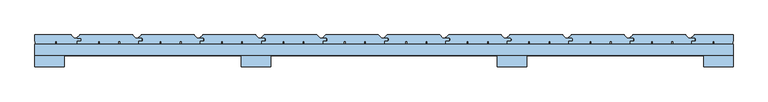
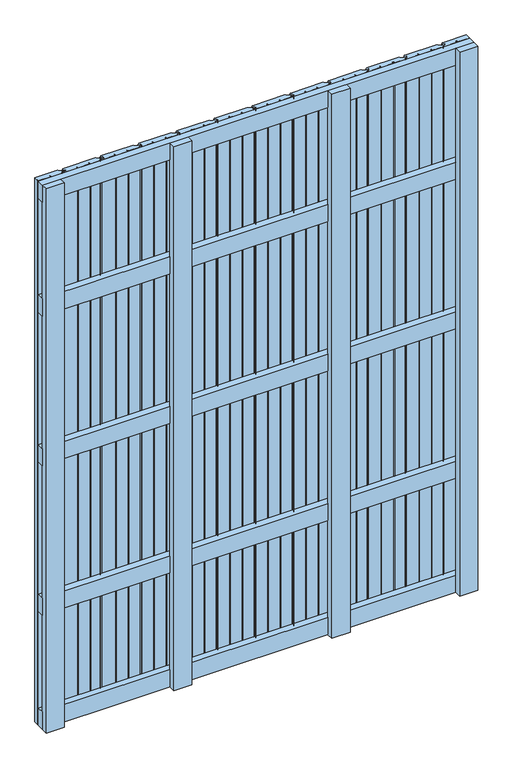
"""IFC4 building model written with IfcOpenShell, lengths in millimetres: window geometry."""

from ifc_helpers import new_model, si_unit, point, frame, frame_2d, origin, place, context, project, spatial, polyline, circle_curve, trimmed, segment, composite_curve, outline, extrude, source, transform, mapped, element, save


def window_511f11e8(model_context):
    return source(origin(), model_context, "Body", "SweptSolid", [
        extrude(outline(polyline([(750.0, 148.0), (750.0, 124.0), (-750.0, 124.0), (-750.0, 148.0), (750.0, 148.0)])), frame((0.0, 0.0, 1618.5), z_axis=(0.0, 0.0, 1.0), x_axis=(1.0, 0.0, 0.0)), (0.0, 0.0, 1.0), 63.0),
        extrude(outline(polyline([(750.0, 148.0), (750.0, 124.0), (-750.0, 124.0), (-750.0, 148.0), (750.0, 148.0)])), frame((0.0, 0.0, 1068.5), z_axis=(0.0, 0.0, 1.0), x_axis=(1.0, 0.0, 0.0)), (0.0, 0.0, 1.0), 63.0),
        extrude(outline(polyline([(750.0, 148.0), (750.0, 124.0), (-750.0, 124.0), (-750.0, 148.0), (750.0, 148.0)])), frame((0.0, 0.0, 518.5), z_axis=(0.0, 0.0, 1.0), x_axis=(1.0, 0.0, 0.0)), (0.0, 0.0, 1.0), 63.0),
        extrude(outline(polyline([(750.0, 148.0), (750.0, 124.0), (-750.0, 124.0), (-750.0, 148.0), (750.0, 148.0)])), frame((0.0, 0.0, 2037.0), z_axis=(0.0, 0.0, 1.0), x_axis=(1.0, 0.0, 0.0)), (0.0, 0.0, 1.0), 63.0),
        extrude(outline(polyline([(750.0, 148.0), (750.0, 124.0), (-750.0, 124.0), (-750.0, 148.0), (750.0, 148.0)])), frame((0.0, 0.0, 100.0), z_axis=(0.0, 0.0, 1.0), x_axis=(1.0, 0.0, 0.0)), (0.0, 0.0, 1.0), 63.0),
        extrude(outline(composite_curve([segment(polyline([(-658.0, 154.5), (-651.5, 154.5)]), True, "CONTINUOUS"), segment(trimmed(circle_curve(frame_2d((-651.5, 156.0)), 1.5), [point((-651.5, 154.5))], [point((-650.0, 156.0))], True, "CARTESIAN"), True, "CONTINUOUS"), segment(polyline([(-650.0, 156.0), (-650.0, 159.5)]), True, "CONTINUOUS"), segment(trimmed(circle_curve(frame_2d((-651.5, 159.5)), 1.5), [point((-650.0, 159.5))], [point((-651.5, 161.0))], True, "CARTESIAN"), True, "CONTINUOUS"), segment(polyline([(-651.5, 161.0), (-658.0, 161.0)]), True, "CONTINUOUS"), segment(trimmed(circle_curve(frame_2d((-658.0, 162.0)), 1.0), [point((-658.0, 161.0))], [point((-658.7071068, 162.7071068))], False, "CARTESIAN"), True, "CONTINUOUS"), segment(polyline([(-658.7071068, 162.7071068), (-653.8535534, 167.5606602)]), True, "CONTINUOUS"), segment(trimmed(circle_curve(frame_2d((-652.7928932, 166.5)), 1.5), [point((-653.8535534, 167.5606602))], [point((-652.7928932, 168.0))], False, "CARTESIAN"), True, "CONTINUOUS"), segment(polyline([(-652.7928932, 168.0), (-540.6213203, 168.0)]), True, "CONTINUOUS"), segment(trimmed(circle_curve(frame_2d((-540.6213203, 166.5)), 1.5), [point((-540.6213203, 168.0))], [point((-539.5606602, 167.5606602))], False, "CARTESIAN"), True, "CONTINUOUS"), segment(polyline([(-539.5606602, 167.5606602), (-533.2928932, 161.2928932)]), True, "CONTINUOUS"), segment(trimmed(circle_curve(frame_2d((-532.5857864, 162.0)), 1.0), [point((-533.2928932, 161.2928932))], [point((-532.5857864, 161.0))], True, "CARTESIAN"), True, "CONTINUOUS"), segment(polyline([(-532.5857864, 161.0), (-521.5, 161.0)]), True, "CONTINUOUS"), segment(trimmed(circle_curve(frame_2d((-521.5, 159.5)), 1.5), [point((-521.5, 161.0))], [point((-520.0, 159.5))], False, "CARTESIAN"), True, "CONTINUOUS"), segment(polyline([(-520.0, 159.5), (-520.0, 156.5)]), True, "CONTINUOUS"), segment(trimmed(circle_curve(frame_2d((-521.5, 156.5)), 1.5), [point((-520.0, 156.5))], [point((-521.5, 155.0))], False, "CARTESIAN"), True, "CONTINUOUS"), segment(polyline([(-521.5, 155.0), (-528.0, 155.0), (-528.0, 148.5), (-567.0, 148.5), (-567.0, 154.5), (-570.5, 154.5), (-570.5, 148.5), (-610.5, 148.5), (-610.5, 154.5), (-614.0, 154.5), (-614.0, 148.5), (-659.0, 148.5), (-659.0, 153.5)]), True, "CONTINUOUS"), segment(trimmed(circle_curve(frame_2d((-658.0, 153.5)), 1.0), [point((-659.0, 153.5))], [point((-658.0, 154.5))], False, "CARTESIAN"), True, "CONTINUOUS")], self_intersect=False)), frame((0.0, 0.0, 100.0), z_axis=(0.0, 0.0, 1.0), x_axis=(1.0, 0.0, 0.0)), (0.0, 0.0, 1.0), 2000.0),
        extrude(outline(composite_curve([segment(polyline([(-526.0, 154.5), (-519.5, 154.5)]), True, "CONTINUOUS"), segment(trimmed(circle_curve(frame_2d((-519.5, 156.0)), 1.5), [point((-519.5, 154.5))], [point((-518.0, 156.0))], True, "CARTESIAN"), True, "CONTINUOUS"), segment(polyline([(-518.0, 156.0), (-518.0, 159.5)]), True, "CONTINUOUS"), segment(trimmed(circle_curve(frame_2d((-519.5, 159.5)), 1.5), [point((-518.0, 159.5))], [point((-519.5, 161.0))], True, "CARTESIAN"), True, "CONTINUOUS"), segment(polyline([(-519.5, 161.0), (-526.0, 161.0)]), True, "CONTINUOUS"), segment(trimmed(circle_curve(frame_2d((-526.0, 162.0)), 1.0), [point((-526.0, 161.0))], [point((-526.7071068, 162.7071068))], False, "CARTESIAN"), True, "CONTINUOUS"), segment(polyline([(-526.7071068, 162.7071068), (-521.8535534, 167.5606602)]), True, "CONTINUOUS"), segment(trimmed(circle_curve(frame_2d((-520.7928932, 166.5)), 1.5), [point((-521.8535534, 167.5606602))], [point((-520.7928932, 168.0))], False, "CARTESIAN"), True, "CONTINUOUS"), segment(polyline([(-520.7928932, 168.0), (-408.6213203, 168.0)]), True, "CONTINUOUS"), segment(trimmed(circle_curve(frame_2d((-408.6213203, 166.5)), 1.5), [point((-408.6213203, 168.0))], [point((-407.5606602, 167.5606602))], False, "CARTESIAN"), True, "CONTINUOUS"), segment(polyline([(-407.5606602, 167.5606602), (-401.2928932, 161.2928932)]), True, "CONTINUOUS"), segment(trimmed(circle_curve(frame_2d((-400.5857864, 162.0)), 1.0), [point((-401.2928932, 161.2928932))], [point((-400.5857864, 161.0))], True, "CARTESIAN"), True, "CONTINUOUS"), segment(polyline([(-400.5857864, 161.0), (-389.5, 161.0)]), True, "CONTINUOUS"), segment(trimmed(circle_curve(frame_2d((-389.5, 159.5)), 1.5), [point((-389.5, 161.0))], [point((-388.0, 159.5))], False, "CARTESIAN"), True, "CONTINUOUS"), segment(polyline([(-388.0, 159.5), (-388.0, 156.5)]), True, "CONTINUOUS"), segment(trimmed(circle_curve(frame_2d((-389.5, 156.5)), 1.5), [point((-388.0, 156.5))], [point((-389.5, 155.0))], False, "CARTESIAN"), True, "CONTINUOUS"), segment(polyline([(-389.5, 155.0), (-396.0, 155.0), (-396.0, 148.5), (-435.0, 148.5), (-435.0, 154.5), (-438.5, 154.5), (-438.5, 148.5), (-478.5, 148.5), (-478.5, 154.5), (-482.0, 154.5), (-482.0, 148.5), (-527.0, 148.5), (-527.0, 153.5)]), True, "CONTINUOUS"), segment(trimmed(circle_curve(frame_2d((-526.0, 153.5)), 1.0), [point((-527.0, 153.5))], [point((-526.0, 154.5))], False, "CARTESIAN"), True, "CONTINUOUS")], self_intersect=False)), frame((0.0, 0.0, 100.0), z_axis=(0.0, 0.0, 1.0), x_axis=(1.0, 0.0, 0.0)), (0.0, 0.0, 1.0), 2000.0),
        extrude(outline(composite_curve([segment(polyline([(-394.0, 154.5), (-387.5, 154.5)]), True, "CONTINUOUS"), segment(trimmed(circle_curve(frame_2d((-387.5, 156.0)), 1.5), [point((-387.5, 154.5))], [point((-386.0, 156.0))], True, "CARTESIAN"), True, "CONTINUOUS"), segment(polyline([(-386.0, 156.0), (-386.0, 159.5)]), True, "CONTINUOUS"), segment(trimmed(circle_curve(frame_2d((-387.5, 159.5)), 1.5), [point((-386.0, 159.5))], [point((-387.5, 161.0))], True, "CARTESIAN"), True, "CONTINUOUS"), segment(polyline([(-387.5, 161.0), (-394.0, 161.0)]), True, "CONTINUOUS"), segment(trimmed(circle_curve(frame_2d((-394.0, 162.0)), 1.0), [point((-394.0, 161.0))], [point((-394.7071068, 162.7071068))], False, "CARTESIAN"), True, "CONTINUOUS"), segment(polyline([(-394.7071068, 162.7071068), (-389.8535534, 167.5606602)]), True, "CONTINUOUS"), segment(trimmed(circle_curve(frame_2d((-388.7928932, 166.5)), 1.5), [point((-389.8535534, 167.5606602))], [point((-388.7928932, 168.0))], False, "CARTESIAN"), True, "CONTINUOUS"), segment(polyline([(-388.7928932, 168.0), (-276.6213203, 168.0)]), True, "CONTINUOUS"), segment(trimmed(circle_curve(frame_2d((-276.6213203, 166.5)), 1.5), [point((-276.6213203, 168.0))], [point((-275.5606602, 167.5606602))], False, "CARTESIAN"), True, "CONTINUOUS"), segment(polyline([(-275.5606602, 167.5606602), (-269.2928932, 161.2928932)]), True, "CONTINUOUS"), segment(trimmed(circle_curve(frame_2d((-268.5857864, 162.0)), 1.0), [point((-269.2928932, 161.2928932))], [point((-268.5857864, 161.0))], True, "CARTESIAN"), True, "CONTINUOUS"), segment(polyline([(-268.5857864, 161.0), (-257.5, 161.0)]), True, "CONTINUOUS"), segment(trimmed(circle_curve(frame_2d((-257.5, 159.5)), 1.5), [point((-257.5, 161.0))], [point((-256.0, 159.5))], False, "CARTESIAN"), True, "CONTINUOUS"), segment(polyline([(-256.0, 159.5), (-256.0, 156.5)]), True, "CONTINUOUS"), segment(trimmed(circle_curve(frame_2d((-257.5, 156.5)), 1.5), [point((-256.0, 156.5))], [point((-257.5, 155.0))], False, "CARTESIAN"), True, "CONTINUOUS"), segment(polyline([(-257.5, 155.0), (-264.0, 155.0), (-264.0, 148.5), (-303.0, 148.5), (-303.0, 154.5), (-306.5, 154.5), (-306.5, 148.5), (-346.5, 148.5), (-346.5, 154.5), (-350.0, 154.5), (-350.0, 148.5), (-395.0, 148.5), (-395.0, 153.5)]), True, "CONTINUOUS"), segment(trimmed(circle_curve(frame_2d((-394.0, 153.5)), 1.0), [point((-395.0, 153.5))], [point((-394.0, 154.5))], False, "CARTESIAN"), True, "CONTINUOUS")], self_intersect=False)), frame((0.0, 0.0, 100.0), z_axis=(0.0, 0.0, 1.0), x_axis=(1.0, 0.0, 0.0)), (0.0, 0.0, 1.0), 2000.0),
        extrude(outline(composite_curve([segment(polyline([(-262.0, 154.5), (-255.5, 154.5)]), True, "CONTINUOUS"), segment(trimmed(circle_curve(frame_2d((-255.5, 156.0)), 1.5), [point((-255.5, 154.5))], [point((-254.0, 156.0))], True, "CARTESIAN"), True, "CONTINUOUS"), segment(polyline([(-254.0, 156.0), (-254.0, 159.5)]), True, "CONTINUOUS"), segment(trimmed(circle_curve(frame_2d((-255.5, 159.5)), 1.5), [point((-254.0, 159.5))], [point((-255.5, 161.0))], True, "CARTESIAN"), True, "CONTINUOUS"), segment(polyline([(-255.5, 161.0), (-262.0, 161.0)]), True, "CONTINUOUS"), segment(trimmed(circle_curve(frame_2d((-262.0, 162.0)), 1.0), [point((-262.0, 161.0))], [point((-262.7071068, 162.7071068))], False, "CARTESIAN"), True, "CONTINUOUS"), segment(polyline([(-262.7071068, 162.7071068), (-257.8535534, 167.5606602)]), True, "CONTINUOUS"), segment(trimmed(circle_curve(frame_2d((-256.7928932, 166.5)), 1.5), [point((-257.8535534, 167.5606602))], [point((-256.7928932, 168.0))], False, "CARTESIAN"), True, "CONTINUOUS"), segment(polyline([(-256.7928932, 168.0), (-144.6213203, 168.0)]), True, "CONTINUOUS"), segment(trimmed(circle_curve(frame_2d((-144.6213203, 166.5)), 1.5), [point((-144.6213203, 168.0))], [point((-143.5606602, 167.5606602))], False, "CARTESIAN"), True, "CONTINUOUS"), segment(polyline([(-143.5606602, 167.5606602), (-137.2928932, 161.2928932)]), True, "CONTINUOUS"), segment(trimmed(circle_curve(frame_2d((-136.5857864, 162.0)), 1.0), [point((-137.2928932, 161.2928932))], [point((-136.5857864, 161.0))], True, "CARTESIAN"), True, "CONTINUOUS"), segment(polyline([(-136.5857864, 161.0), (-125.5, 161.0)]), True, "CONTINUOUS"), segment(trimmed(circle_curve(frame_2d((-125.5, 159.5)), 1.5), [point((-125.5, 161.0))], [point((-124.0, 159.5))], False, "CARTESIAN"), True, "CONTINUOUS"), segment(polyline([(-124.0, 159.5), (-124.0, 156.5)]), True, "CONTINUOUS"), segment(trimmed(circle_curve(frame_2d((-125.5, 156.5)), 1.5), [point((-124.0, 156.5))], [point((-125.5, 155.0))], False, "CARTESIAN"), True, "CONTINUOUS"), segment(polyline([(-125.5, 155.0), (-132.0, 155.0), (-132.0, 148.5), (-171.0, 148.5), (-171.0, 154.5), (-174.5, 154.5), (-174.5, 148.5), (-214.5, 148.5), (-214.5, 154.5), (-218.0, 154.5), (-218.0, 148.5), (-263.0, 148.5), (-263.0, 153.5)]), True, "CONTINUOUS"), segment(trimmed(circle_curve(frame_2d((-262.0, 153.5)), 1.0), [point((-263.0, 153.5))], [point((-262.0, 154.5))], False, "CARTESIAN"), True, "CONTINUOUS")], self_intersect=False)), frame((0.0, 0.0, 100.0), z_axis=(0.0, 0.0, 1.0), x_axis=(1.0, 0.0, 0.0)), (0.0, 0.0, 1.0), 2000.0),
        extrude(outline(composite_curve([segment(polyline([(-130.0, 154.5), (-123.5, 154.5)]), True, "CONTINUOUS"), segment(trimmed(circle_curve(frame_2d((-123.5, 156.0)), 1.5), [point((-123.5, 154.5))], [point((-122.0, 156.0))], True, "CARTESIAN"), True, "CONTINUOUS"), segment(polyline([(-122.0, 156.0), (-122.0, 159.5)]), True, "CONTINUOUS"), segment(trimmed(circle_curve(frame_2d((-123.5, 159.5)), 1.5), [point((-122.0, 159.5))], [point((-123.5, 161.0))], True, "CARTESIAN"), True, "CONTINUOUS"), segment(polyline([(-123.5, 161.0), (-130.0, 161.0)]), True, "CONTINUOUS"), segment(trimmed(circle_curve(frame_2d((-130.0, 162.0)), 1.0), [point((-130.0, 161.0))], [point((-130.7071068, 162.7071068))], False, "CARTESIAN"), True, "CONTINUOUS"), segment(polyline([(-130.7071068, 162.7071068), (-125.8535534, 167.5606602)]), True, "CONTINUOUS"), segment(trimmed(circle_curve(frame_2d((-124.7928932, 166.5)), 1.5), [point((-125.8535534, 167.5606602))], [point((-124.7928932, 168.0))], False, "CARTESIAN"), True, "CONTINUOUS"), segment(polyline([(-124.7928932, 168.0), (-12.6213203, 168.0)]), True, "CONTINUOUS"), segment(trimmed(circle_curve(frame_2d((-12.6213203, 166.5)), 1.5), [point((-12.6213203, 168.0))], [point((-11.5606602, 167.5606602))], False, "CARTESIAN"), True, "CONTINUOUS"), segment(polyline([(-11.5606602, 167.5606602), (-5.2928932, 161.2928932)]), True, "CONTINUOUS"), segment(trimmed(circle_curve(frame_2d((-4.5857864, 162.0)), 1.0), [point((-5.2928932, 161.2928932))], [point((-4.5857864, 161.0))], True, "CARTESIAN"), True, "CONTINUOUS"), segment(polyline([(-4.5857864, 161.0), (6.5, 161.0)]), True, "CONTINUOUS"), segment(trimmed(circle_curve(frame_2d((6.5, 159.5)), 1.5), [point((6.5, 161.0))], [point((8.0, 159.5))], False, "CARTESIAN"), True, "CONTINUOUS"), segment(polyline([(8.0, 159.5), (8.0, 156.5)]), True, "CONTINUOUS"), segment(trimmed(circle_curve(frame_2d((6.5, 156.5)), 1.5), [point((8.0, 156.5))], [point((6.5, 155.0))], False, "CARTESIAN"), True, "CONTINUOUS"), segment(polyline([(6.5, 155.0), (0.0, 155.0), (0.0, 148.5), (-39.0, 148.5), (-39.0, 154.5), (-42.5, 154.5), (-42.5, 148.5), (-82.5, 148.5), (-82.5, 154.5), (-86.0, 154.5), (-86.0, 148.5), (-131.0, 148.5), (-131.0, 153.5)]), True, "CONTINUOUS"), segment(trimmed(circle_curve(frame_2d((-130.0, 153.5)), 1.0), [point((-131.0, 153.5))], [point((-130.0, 154.5))], False, "CARTESIAN"), True, "CONTINUOUS")], self_intersect=False)), frame((0.0, 0.0, 100.0), z_axis=(0.0, 0.0, 1.0), x_axis=(1.0, 0.0, 0.0)), (0.0, 0.0, 1.0), 2000.0),
        extrude(outline(composite_curve([segment(polyline([(2.0, 154.5), (8.5, 154.5)]), True, "CONTINUOUS"), segment(trimmed(circle_curve(frame_2d((8.5, 156.0)), 1.5), [point((8.5, 154.5))], [point((10.0, 156.0))], True, "CARTESIAN"), True, "CONTINUOUS"), segment(polyline([(10.0, 156.0), (10.0, 159.5)]), True, "CONTINUOUS"), segment(trimmed(circle_curve(frame_2d((8.5, 159.5)), 1.5), [point((10.0, 159.5))], [point((8.5, 161.0))], True, "CARTESIAN"), True, "CONTINUOUS"), segment(polyline([(8.5, 161.0), (2.0, 161.0)]), True, "CONTINUOUS"), segment(trimmed(circle_curve(frame_2d((2.0, 162.0)), 1.0), [point((2.0, 161.0))], [point((1.2928932, 162.7071068))], False, "CARTESIAN"), True, "CONTINUOUS"), segment(polyline([(1.2928932, 162.7071068), (6.1464466, 167.5606602)]), True, "CONTINUOUS"), segment(trimmed(circle_curve(frame_2d((7.2071068, 166.5)), 1.5), [point((6.1464466, 167.5606602))], [point((7.2071068, 168.0))], False, "CARTESIAN"), True, "CONTINUOUS"), segment(polyline([(7.2071068, 168.0), (119.3786797, 168.0)]), True, "CONTINUOUS"), segment(trimmed(circle_curve(frame_2d((119.3786797, 166.5)), 1.5), [point((119.3786797, 168.0))], [point((120.4393398, 167.5606602))], False, "CARTESIAN"), True, "CONTINUOUS"), segment(polyline([(120.4393398, 167.5606602), (126.7071068, 161.2928932)]), True, "CONTINUOUS"), segment(trimmed(circle_curve(frame_2d((127.4142136, 162.0)), 1.0), [point((126.7071068, 161.2928932))], [point((127.4142136, 161.0))], True, "CARTESIAN"), True, "CONTINUOUS"), segment(polyline([(127.4142136, 161.0), (138.5, 161.0)]), True, "CONTINUOUS"), segment(trimmed(circle_curve(frame_2d((138.5, 159.5)), 1.5), [point((138.5, 161.0))], [point((140.0, 159.5))], False, "CARTESIAN"), True, "CONTINUOUS"), segment(polyline([(140.0, 159.5), (140.0, 156.5)]), True, "CONTINUOUS"), segment(trimmed(circle_curve(frame_2d((138.5, 156.5)), 1.5), [point((140.0, 156.5))], [point((138.5, 155.0))], False, "CARTESIAN"), True, "CONTINUOUS"), segment(polyline([(138.5, 155.0), (132.0, 155.0), (132.0, 148.5), (93.0, 148.5), (93.0, 154.5), (89.5, 154.5), (89.5, 148.5), (49.5, 148.5), (49.5, 154.5), (46.0, 154.5), (46.0, 148.5), (1.0, 148.5), (1.0, 153.5)]), True, "CONTINUOUS"), segment(trimmed(circle_curve(frame_2d((2.0, 153.5)), 1.0), [point((1.0, 153.5))], [point((2.0, 154.5))], False, "CARTESIAN"), True, "CONTINUOUS")], self_intersect=False)), frame((0.0, 0.0, 100.0), z_axis=(0.0, 0.0, 1.0), x_axis=(1.0, 0.0, 0.0)), (0.0, 0.0, 1.0), 2000.0),
        extrude(outline(composite_curve([segment(polyline([(134.0, 154.5), (140.5, 154.5)]), True, "CONTINUOUS"), segment(trimmed(circle_curve(frame_2d((140.5, 156.0)), 1.5), [point((140.5, 154.5))], [point((142.0, 156.0))], True, "CARTESIAN"), True, "CONTINUOUS"), segment(polyline([(142.0, 156.0), (142.0, 159.5)]), True, "CONTINUOUS"), segment(trimmed(circle_curve(frame_2d((140.5, 159.5)), 1.5), [point((142.0, 159.5))], [point((140.5, 161.0))], True, "CARTESIAN"), True, "CONTINUOUS"), segment(polyline([(140.5, 161.0), (134.0, 161.0)]), True, "CONTINUOUS"), segment(trimmed(circle_curve(frame_2d((134.0, 162.0)), 1.0), [point((134.0, 161.0))], [point((133.2928932, 162.7071068))], False, "CARTESIAN"), True, "CONTINUOUS"), segment(polyline([(133.2928932, 162.7071068), (138.1464466, 167.5606602)]), True, "CONTINUOUS"), segment(trimmed(circle_curve(frame_2d((139.2071068, 166.5)), 1.5), [point((138.1464466, 167.5606602))], [point((139.2071068, 168.0))], False, "CARTESIAN"), True, "CONTINUOUS"), segment(polyline([(139.2071068, 168.0), (251.3786797, 168.0)]), True, "CONTINUOUS"), segment(trimmed(circle_curve(frame_2d((251.3786797, 166.5)), 1.5), [point((251.3786797, 168.0))], [point((252.4393398, 167.5606602))], False, "CARTESIAN"), True, "CONTINUOUS"), segment(polyline([(252.4393398, 167.5606602), (258.7071068, 161.2928932)]), True, "CONTINUOUS"), segment(trimmed(circle_curve(frame_2d((259.4142136, 162.0)), 1.0), [point((258.7071068, 161.2928932))], [point((259.4142136, 161.0))], True, "CARTESIAN"), True, "CONTINUOUS"), segment(polyline([(259.4142136, 161.0), (270.5, 161.0)]), True, "CONTINUOUS"), segment(trimmed(circle_curve(frame_2d((270.5, 159.5)), 1.5), [point((270.5, 161.0))], [point((272.0, 159.5))], False, "CARTESIAN"), True, "CONTINUOUS"), segment(polyline([(272.0, 159.5), (272.0, 156.5)]), True, "CONTINUOUS"), segment(trimmed(circle_curve(frame_2d((270.5, 156.5)), 1.5), [point((272.0, 156.5))], [point((270.5, 155.0))], False, "CARTESIAN"), True, "CONTINUOUS"), segment(polyline([(270.5, 155.0), (264.0, 155.0), (264.0, 148.5), (225.0, 148.5), (225.0, 154.5), (221.5, 154.5), (221.5, 148.5), (181.5, 148.5), (181.5, 154.5), (178.0, 154.5), (178.0, 148.5), (133.0, 148.5), (133.0, 153.5)]), True, "CONTINUOUS"), segment(trimmed(circle_curve(frame_2d((134.0, 153.5)), 1.0), [point((133.0, 153.5))], [point((134.0, 154.5))], False, "CARTESIAN"), True, "CONTINUOUS")], self_intersect=False)), frame((0.0, 0.0, 100.0), z_axis=(0.0, 0.0, 1.0), x_axis=(1.0, 0.0, 0.0)), (0.0, 0.0, 1.0), 2000.0),
        extrude(outline(composite_curve([segment(polyline([(266.0, 154.5), (272.5, 154.5)]), True, "CONTINUOUS"), segment(trimmed(circle_curve(frame_2d((272.5, 156.0)), 1.5), [point((272.5, 154.5))], [point((274.0, 156.0))], True, "CARTESIAN"), True, "CONTINUOUS"), segment(polyline([(274.0, 156.0), (274.0, 159.5)]), True, "CONTINUOUS"), segment(trimmed(circle_curve(frame_2d((272.5, 159.5)), 1.5), [point((274.0, 159.5))], [point((272.5, 161.0))], True, "CARTESIAN"), True, "CONTINUOUS"), segment(polyline([(272.5, 161.0), (266.0, 161.0)]), True, "CONTINUOUS"), segment(trimmed(circle_curve(frame_2d((266.0, 162.0)), 1.0), [point((266.0, 161.0))], [point((265.2928932, 162.7071068))], False, "CARTESIAN"), True, "CONTINUOUS"), segment(polyline([(265.2928932, 162.7071068), (270.1464466, 167.5606602)]), True, "CONTINUOUS"), segment(trimmed(circle_curve(frame_2d((271.2071068, 166.5)), 1.5), [point((270.1464466, 167.5606602))], [point((271.2071068, 168.0))], False, "CARTESIAN"), True, "CONTINUOUS"), segment(polyline([(271.2071068, 168.0), (383.3786797, 168.0)]), True, "CONTINUOUS"), segment(trimmed(circle_curve(frame_2d((383.3786797, 166.5)), 1.5), [point((383.3786797, 168.0))], [point((384.4393398, 167.5606602))], False, "CARTESIAN"), True, "CONTINUOUS"), segment(polyline([(384.4393398, 167.5606602), (390.7071068, 161.2928932)]), True, "CONTINUOUS"), segment(trimmed(circle_curve(frame_2d((391.4142136, 162.0)), 1.0), [point((390.7071068, 161.2928932))], [point((391.4142136, 161.0))], True, "CARTESIAN"), True, "CONTINUOUS"), segment(polyline([(391.4142136, 161.0), (402.5, 161.0)]), True, "CONTINUOUS"), segment(trimmed(circle_curve(frame_2d((402.5, 159.5)), 1.5), [point((402.5, 161.0))], [point((404.0, 159.5))], False, "CARTESIAN"), True, "CONTINUOUS"), segment(polyline([(404.0, 159.5), (404.0, 156.5)]), True, "CONTINUOUS"), segment(trimmed(circle_curve(frame_2d((402.5, 156.5)), 1.5), [point((404.0, 156.5))], [point((402.5, 155.0))], False, "CARTESIAN"), True, "CONTINUOUS"), segment(polyline([(402.5, 155.0), (396.0, 155.0), (396.0, 148.5), (357.0, 148.5), (357.0, 154.5), (353.5, 154.5), (353.5, 148.5), (313.5, 148.5), (313.5, 154.5), (310.0, 154.5), (310.0, 148.5), (265.0, 148.5), (265.0, 153.5)]), True, "CONTINUOUS"), segment(trimmed(circle_curve(frame_2d((266.0, 153.5)), 1.0), [point((265.0, 153.5))], [point((266.0, 154.5))], False, "CARTESIAN"), True, "CONTINUOUS")], self_intersect=False)), frame((0.0, 0.0, 100.0), z_axis=(0.0, 0.0, 1.0), x_axis=(1.0, 0.0, 0.0)), (0.0, 0.0, 1.0), 2000.0),
        extrude(outline(composite_curve([segment(polyline([(398.0, 154.5), (404.5, 154.5)]), True, "CONTINUOUS"), segment(trimmed(circle_curve(frame_2d((404.5, 156.0)), 1.5), [point((404.5, 154.5))], [point((406.0, 156.0))], True, "CARTESIAN"), True, "CONTINUOUS"), segment(polyline([(406.0, 156.0), (406.0, 159.5)]), True, "CONTINUOUS"), segment(trimmed(circle_curve(frame_2d((404.5, 159.5)), 1.5), [point((406.0, 159.5))], [point((404.5, 161.0))], True, "CARTESIAN"), True, "CONTINUOUS"), segment(polyline([(404.5, 161.0), (398.0, 161.0)]), True, "CONTINUOUS"), segment(trimmed(circle_curve(frame_2d((398.0, 162.0)), 1.0), [point((398.0, 161.0))], [point((397.2928932, 162.7071068))], False, "CARTESIAN"), True, "CONTINUOUS"), segment(polyline([(397.2928932, 162.7071068), (402.1464466, 167.5606602)]), True, "CONTINUOUS"), segment(trimmed(circle_curve(frame_2d((403.2071068, 166.5)), 1.5), [point((402.1464466, 167.5606602))], [point((403.2071068, 168.0))], False, "CARTESIAN"), True, "CONTINUOUS"), segment(polyline([(403.2071068, 168.0), (515.3786797, 168.0)]), True, "CONTINUOUS"), segment(trimmed(circle_curve(frame_2d((515.3786797, 166.5)), 1.5), [point((515.3786797, 168.0))], [point((516.4393398, 167.5606602))], False, "CARTESIAN"), True, "CONTINUOUS"), segment(polyline([(516.4393398, 167.5606602), (522.7071068, 161.2928932)]), True, "CONTINUOUS"), segment(trimmed(circle_curve(frame_2d((523.4142136, 162.0)), 1.0), [point((522.7071068, 161.2928932))], [point((523.4142136, 161.0))], True, "CARTESIAN"), True, "CONTINUOUS"), segment(polyline([(523.4142136, 161.0), (534.5, 161.0)]), True, "CONTINUOUS"), segment(trimmed(circle_curve(frame_2d((534.5, 159.5)), 1.5), [point((534.5, 161.0))], [point((536.0, 159.5))], False, "CARTESIAN"), True, "CONTINUOUS"), segment(polyline([(536.0, 159.5), (536.0, 156.5)]), True, "CONTINUOUS"), segment(trimmed(circle_curve(frame_2d((534.5, 156.5)), 1.5), [point((536.0, 156.5))], [point((534.5, 155.0))], False, "CARTESIAN"), True, "CONTINUOUS"), segment(polyline([(534.5, 155.0), (528.0, 155.0), (528.0, 148.5), (489.0, 148.5), (489.0, 154.5), (485.5, 154.5), (485.5, 148.5), (445.5, 148.5), (445.5, 154.5), (442.0, 154.5), (442.0, 148.5), (397.0, 148.5), (397.0, 153.5)]), True, "CONTINUOUS"), segment(trimmed(circle_curve(frame_2d((398.0, 153.5)), 1.0), [point((397.0, 153.5))], [point((398.0, 154.5))], False, "CARTESIAN"), True, "CONTINUOUS")], self_intersect=False)), frame((0.0, 0.0, 100.0), z_axis=(0.0, 0.0, 1.0), x_axis=(1.0, 0.0, 0.0)), (0.0, 0.0, 1.0), 2000.0),
        extrude(outline(composite_curve([segment(polyline([(530.0, 154.5), (536.5, 154.5)]), True, "CONTINUOUS"), segment(trimmed(circle_curve(frame_2d((536.5, 156.0)), 1.5), [point((536.5, 154.5))], [point((538.0, 156.0))], True, "CARTESIAN"), True, "CONTINUOUS"), segment(polyline([(538.0, 156.0), (538.0, 159.5)]), True, "CONTINUOUS"), segment(trimmed(circle_curve(frame_2d((536.5, 159.5)), 1.5), [point((538.0, 159.5))], [point((536.5, 161.0))], True, "CARTESIAN"), True, "CONTINUOUS"), segment(polyline([(536.5, 161.0), (530.0, 161.0)]), True, "CONTINUOUS"), segment(trimmed(circle_curve(frame_2d((530.0, 162.0)), 1.0), [point((530.0, 161.0))], [point((529.2928932, 162.7071068))], False, "CARTESIAN"), True, "CONTINUOUS"), segment(polyline([(529.2928932, 162.7071068), (534.1464466, 167.5606602)]), True, "CONTINUOUS"), segment(trimmed(circle_curve(frame_2d((535.2071068, 166.5)), 1.5), [point((534.1464466, 167.5606602))], [point((535.2071068, 168.0))], False, "CARTESIAN"), True, "CONTINUOUS"), segment(polyline([(535.2071068, 168.0), (647.3786797, 168.0)]), True, "CONTINUOUS"), segment(trimmed(circle_curve(frame_2d((647.3786797, 166.5)), 1.5), [point((647.3786797, 168.0))], [point((648.4393398, 167.5606602))], False, "CARTESIAN"), True, "CONTINUOUS"), segment(polyline([(648.4393398, 167.5606602), (654.7071068, 161.2928932)]), True, "CONTINUOUS"), segment(trimmed(circle_curve(frame_2d((655.4142136, 162.0)), 1.0), [point((654.7071068, 161.2928932))], [point((655.4142136, 161.0))], True, "CARTESIAN"), True, "CONTINUOUS"), segment(polyline([(655.4142136, 161.0), (666.5, 161.0)]), True, "CONTINUOUS"), segment(trimmed(circle_curve(frame_2d((666.5, 159.5)), 1.5), [point((666.5, 161.0))], [point((668.0, 159.5))], False, "CARTESIAN"), True, "CONTINUOUS"), segment(polyline([(668.0, 159.5), (668.0, 156.5)]), True, "CONTINUOUS"), segment(trimmed(circle_curve(frame_2d((666.5, 156.5)), 1.5), [point((668.0, 156.5))], [point((666.5, 155.0))], False, "CARTESIAN"), True, "CONTINUOUS"), segment(polyline([(666.5, 155.0), (660.0, 155.0), (660.0, 148.5), (621.0, 148.5), (621.0, 154.5), (617.5, 154.5), (617.5, 148.5), (577.5, 148.5), (577.5, 154.5), (574.0, 154.5), (574.0, 148.5), (529.0, 148.5), (529.0, 153.5)]), True, "CONTINUOUS"), segment(trimmed(circle_curve(frame_2d((530.0, 153.5)), 1.0), [point((529.0, 153.5))], [point((530.0, 154.5))], False, "CARTESIAN"), True, "CONTINUOUS")], self_intersect=False)), frame((0.0, 0.0, 100.0), z_axis=(0.0, 0.0, 1.0), x_axis=(1.0, 0.0, 0.0)), (0.0, 0.0, 1.0), 2000.0),
        extrude(outline(composite_curve([segment(polyline([(-671.5606602, 167.5606602), (-665.2928932, 161.2928932)]), True, "CONTINUOUS"), segment(trimmed(circle_curve(frame_2d((-664.5857864, 162.0)), 1.0), [point((-665.2928932, 161.2928932))], [point((-664.5857864, 161.0))], True, "CARTESIAN"), True, "CONTINUOUS"), segment(polyline([(-664.5857864, 161.0), (-653.5, 161.0)]), True, "CONTINUOUS"), segment(trimmed(circle_curve(frame_2d((-653.5, 159.5)), 1.5), [point((-653.5, 161.0))], [point((-652.0, 159.5))], False, "CARTESIAN"), True, "CONTINUOUS"), segment(polyline([(-652.0, 159.5), (-652.0, 156.5)]), True, "CONTINUOUS"), segment(trimmed(circle_curve(frame_2d((-653.5, 156.5)), 1.5), [point((-652.0, 156.5))], [point((-653.5, 155.0))], False, "CARTESIAN"), True, "CONTINUOUS"), segment(polyline([(-653.5, 155.0), (-660.0, 155.0), (-660.0, 148.5), (-703.0610702, 148.5), (-703.0610702, 154.5), (-706.5610702, 154.5), (-706.5610702, 148.5), (-749.6221403, 148.5), (-749.6221403, 154.5), (-750.0, 154.5), (-750.0, 168.0), (-672.6213203, 168.0)]), True, "CONTINUOUS"), segment(trimmed(circle_curve(frame_2d((-672.6213203, 166.5)), 1.5), [point((-672.6213203, 168.0))], [point((-671.5606602, 167.5606602))], False, "CARTESIAN"), True, "CONTINUOUS")], self_intersect=False)), frame((0.0, 0.0, 100.0), z_axis=(0.0, 0.0, 1.0), x_axis=(1.0, 0.0, 0.0)), (0.0, 0.0, 1.0), 2000.0),
        extrude(outline(composite_curve([segment(polyline([(662.0, 154.5), (668.5, 154.5)]), True, "CONTINUOUS"), segment(trimmed(circle_curve(frame_2d((668.5, 156.0)), 1.5), [point((668.5, 154.5))], [point((670.0, 156.0))], True, "CARTESIAN"), True, "CONTINUOUS"), segment(polyline([(670.0, 156.0), (670.0, 159.5)]), True, "CONTINUOUS"), segment(trimmed(circle_curve(frame_2d((668.5, 159.5)), 1.5), [point((670.0, 159.5))], [point((668.5, 161.0))], True, "CARTESIAN"), True, "CONTINUOUS"), segment(polyline([(668.5, 161.0), (662.0, 161.0)]), True, "CONTINUOUS"), segment(trimmed(circle_curve(frame_2d((662.0, 162.0)), 1.0), [point((662.0, 161.0))], [point((661.2928932, 162.7071068))], False, "CARTESIAN"), True, "CONTINUOUS"), segment(polyline([(661.2928932, 162.7071068), (666.1464466, 167.5606602)]), True, "CONTINUOUS"), segment(trimmed(circle_curve(frame_2d((667.2071068, 166.5)), 1.5), [point((666.1464466, 167.5606602))], [point((667.2071068, 168.0))], False, "CARTESIAN"), True, "CONTINUOUS"), segment(polyline([(667.2071068, 168.0), (750.0, 168.0), (750.0, 154.5), (749.5, 154.5), (749.5, 148.5), (709.5, 148.5), (709.5, 154.5), (706.0, 154.5), (706.0, 148.5), (661.0, 148.5), (661.0, 153.5)]), True, "CONTINUOUS"), segment(trimmed(circle_curve(frame_2d((662.0, 153.5)), 1.0), [point((661.0, 153.5))], [point((662.0, 154.5))], False, "CARTESIAN"), True, "CONTINUOUS")], self_intersect=False)), frame((0.0, 0.0, 100.0), z_axis=(0.0, 0.0, 1.0), x_axis=(1.0, 0.0, 0.0)), (0.0, 0.0, 1.0), 2000.0),
        extrude(outline(polyline([(-306.5, 124.0), (-243.5, 124.0), (-243.5, 100.0), (-306.5, 100.0), (-306.5, 124.0)])), frame((0.0, 0.0, 100.0), z_axis=(0.0, 0.0, 1.0), x_axis=(1.0, 0.0, 0.0)), (0.0, 0.0, 1.0), 2000.0),
        extrude(outline(polyline([(243.5, 124.0), (306.5, 124.0), (306.5, 100.0), (243.5, 100.0), (243.5, 124.0)])), frame((0.0, 0.0, 100.0), z_axis=(0.0, 0.0, 1.0), x_axis=(1.0, 0.0, 0.0)), (0.0, 0.0, 1.0), 2000.0),
        extrude(outline(polyline([(-750.0, 124.0), (-687.0, 124.0), (-687.0, 100.0), (-750.0, 100.0), (-750.0, 124.0)])), frame((0.0, 0.0, 100.0), z_axis=(0.0, 0.0, 1.0), x_axis=(1.0, 0.0, 0.0)), (0.0, 0.0, 1.0), 2000.0),
        extrude(outline(polyline([(687.0, 124.0), (750.0, 124.0), (750.0, 100.0), (687.0, 100.0), (687.0, 124.0)])), frame((0.0, 0.0, 100.0), z_axis=(0.0, 0.0, 1.0), x_axis=(1.0, 0.0, 0.0)), (0.0, 0.0, 1.0), 2000.0),
    ])


if __name__ == "__main__":
    model = new_model("IFC4")
    model_context = context("Model", 3, world=origin())
    ifc_project = project(units=[si_unit("LENGTHUNIT", "METRE", prefix="MILLI")], contexts=[model_context])
    site = spatial("IfcSite", under=ifc_project)
    building = spatial("IfcBuilding", under=site)
    placement = place(None, origin())
    window_shape = window_511f11e8(model_context)
    element("IfcWindow", 1, at=placement, inside=building, context=model_context, shape_type="MappedRepresentation", body=[
        mapped(window_shape, transform((0.0, 0.0, 0.0), x_axis=(1.0, 0.0, 0.0), y_axis=(0.0, 1.0, 0.0), z_axis=(0.0, 0.0, 1.0))),
    ])
    save(model, "model.ifc")
